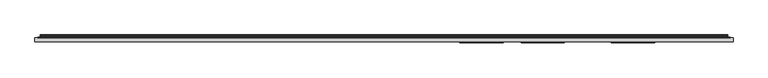
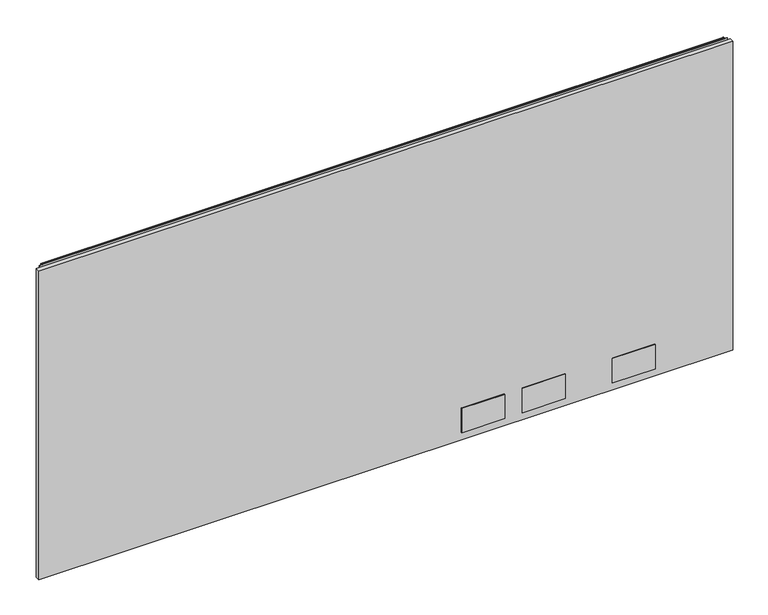
"""IFC4 building model written with IfcOpenShell, lengths in millimetres: furniture geometry."""

from ifc_helpers import new_model, si_unit, point, frame, frame_2d, origin, place, context, project, spatial, polyline, circle_curve, trimmed, segment, composite_curve, outline, extrude, source, transform, mapped, element, save


def furniture_5c4d03d2(model_context):
    return source(origin(), model_context, "Body", "SweptSolid", [
        extrude(outline(polyline([(1.778, 1.45288), (1.778, 10.9778796), (1522.2219835, 10.9778796), (1522.2219835, 1.45288), (1.778, 1.45288)])), frame((0.0, 0.0, 12.7), z_axis=(0.0, 0.0, 1.0), x_axis=(1.0, 0.0, 0.0)), (0.0, 0.0, 1.0), 715.7592871),
        extrude(outline(polyline([(1021.461016, -0.57912), (927.227015, -0.57912), (927.227015, 1.45288), (1021.461016, 1.45288), (1021.461016, -0.57912)])), frame((0.0, 0.0, 30.2259996), z_axis=(0.0, 0.0, 1.0), x_axis=(1.0, 0.0, 0.0)), (0.0, 0.0, 1.0), 56.6420005),
        extrude(outline(polyline([(1154.811016, -0.57912), (1060.577015, -0.57912), (1060.577015, 1.45288), (1154.811016, 1.45288), (1154.811016, -0.57912)])), frame((0.0, 0.0, 30.2259996), z_axis=(0.0, 0.0, 1.0), x_axis=(1.0, 0.0, 0.0)), (0.0, 0.0, 1.0), 56.6420005),
        extrude(outline(polyline([(1351.6610281, -0.57912), (1257.4270271, -0.57912), (1257.4270271, 1.45288), (1351.6610281, 1.45288), (1351.6610281, -0.57912)])), frame((0.0, 0.0, 30.2259996), z_axis=(0.0, 0.0, 1.0), x_axis=(1.0, 0.0, 0.0)), (0.0, 0.0, 1.0), 56.6420005),
        extrude(outline(composite_curve([segment(polyline([(10.9778796, 732.8853024), (10.9778796, 733.8277903)]), True, "CONTINUOUS"), segment(trimmed(circle_curve(frame_2d((11.6164846, 733.8277903)), 0.638605), [point((10.9778796, 733.8277903))], [point((11.6164846, 734.4663953))], False, "CARTESIAN"), True, "CONTINUOUS"), segment(polyline([(11.6164846, 734.4663953), (13.251317, 734.4663953)]), True, "CONTINUOUS"), segment(trimmed(circle_curve(frame_2d((13.251317, 732.0930753)), 2.37332), [point((13.251317, 734.4663953))], [point((15.6071079, 731.8051575))], False, "CARTESIAN"), True, "CONTINUOUS"), segment(polyline([(15.6071079, 731.8051575), (15.2080413, 728.5399287)]), True, "CONTINUOUS"), segment(trimmed(circle_curve(frame_2d((17.5068753, 728.2589719)), 2.3159393), [point((15.2080413, 728.5399287))], [point((15.5012134, 727.1010018))], True, "CARTESIAN"), True, "CONTINUOUS"), segment(polyline([(15.5012134, 727.1010018), (16.6600675, 725.0938087), (15.9781592, 724.7001085), (14.819305, 726.7073016)]), True, "CONTINUOUS"), segment(trimmed(circle_curve(frame_2d((17.5068753, 728.2589719)), 3.1033393), [point((14.819305, 726.7073016))], [point((14.4264569, 728.6354516))], False, "CARTESIAN"), True, "CONTINUOUS"), segment(polyline([(14.4264569, 728.6354516), (14.8255236, 731.9006804)]), True, "CONTINUOUS"), segment(trimmed(circle_curve(frame_2d((13.251317, 732.0930753)), 1.58592), [point((14.8255236, 731.9006804))], [point((13.251317, 733.6789953))], True, "CARTESIAN"), True, "CONTINUOUS"), segment(polyline([(13.251317, 733.6789953), (11.7652796, 733.6789953), (11.7652796, 732.8853024), (10.9778796, 732.8853024)]), True, "CONTINUOUS")], self_intersect=False)), frame((13.7160002, 0.0, 0.0), z_axis=(1.0, 0.0, 0.0), x_axis=(0.0, 1.0, 0.0)), (0.0, 0.0, 1.0), 1496.5680076),
        extrude(outline(polyline([(8.1280002, 10.9778796), (8.1280002, 11.7652796), (1515.8720078, 11.7652796), (1515.8720078, 10.9778796), (8.1280002, 10.9778796)])), frame((0.0, 0.0, 702.2084079), z_axis=(0.0, 0.0, 1.0), x_axis=(1.0, 0.0, 0.0)), (0.0, 0.0, 1.0), 30.8009179),
    ])


if __name__ == "__main__":
    model = new_model("IFC4")
    model_context = context("Model", 3, world=origin())
    ifc_project = project(units=[si_unit("LENGTHUNIT", "METRE", prefix="MILLI")], contexts=[model_context])
    site = spatial("IfcSite", under=ifc_project)
    building = spatial("IfcBuilding", under=site)
    placement = place(None, origin())
    furniture_shape = furniture_5c4d03d2(model_context)
    element("IfcFurniture", 1, at=placement, inside=building, context=model_context, shape_type="MappedRepresentation", body=[
        mapped(furniture_shape, transform((0.0, 0.0, 0.0), x_axis=(1.0, 0.0, 0.0), y_axis=(0.0, 1.0, 0.0), z_axis=(0.0, 0.0, 1.0))),
    ])
    save(model, "model.ifc")
